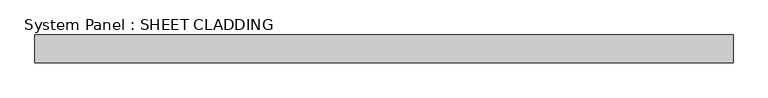
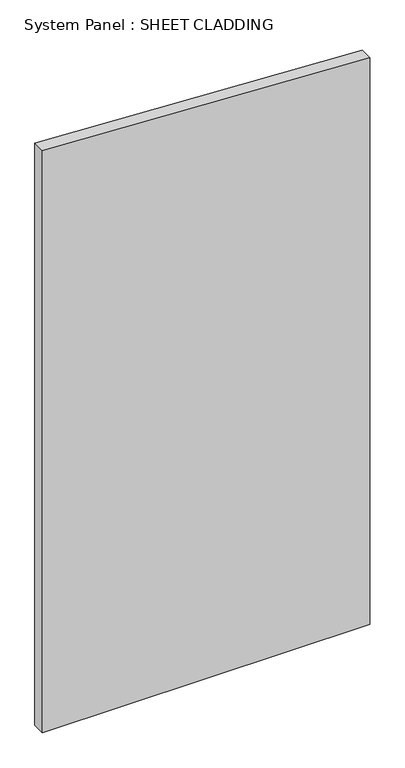
"""IFC4 building model written with IfcOpenShell, lengths in millimetres: plate geometry, System Panel : SHEET CLADDING."""

from ifc_helpers import new_model, si_unit, frame, origin, place, context, project, spatial, polyline, outline, extrude, source, transform, mapped, element, save


def system_panel_sheet_cladding_72dd9af1(model_context):
    return source(origin(), model_context, "Body", "SweptSolid", [
        extrude(outline(polyline([(0.0, -750.0), (0.0, 750.0), (2747.5, 750.0), (2822.5, -750.0), (0.0, -750.0)])), frame((0.0, -10.5, 0.0), z_axis=(0.0, 1.0, 0.0), x_axis=(0.0, 0.0, 1.0)), (0.0, 0.0, 1.0), 60.0),
    ])


if __name__ == "__main__":
    model = new_model("IFC4")
    model_context = context("Model", 3, world=origin())
    ifc_project = project(units=[si_unit("LENGTHUNIT", "METRE", prefix="MILLI")], contexts=[model_context])
    site = spatial("IfcSite", under=ifc_project)
    building = spatial("IfcBuilding", under=site)
    placement = place(None, origin())
    system_panel_sheet_cladding_shape = system_panel_sheet_cladding_72dd9af1(model_context)
    element("IfcPlate", 1, ObjectType="System Panel : SHEET CLADDING", at=placement, inside=building, context=model_context, shape_type="MappedRepresentation", body=[
        mapped(system_panel_sheet_cladding_shape, transform((0.0, 0.0, 0.0), x_axis=(1.0, 0.0, 0.0), y_axis=(0.0, 1.0, 0.0), z_axis=(0.0, 0.0, 1.0))),
    ])
    save(model, "model.ifc")
